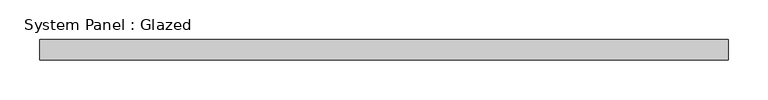
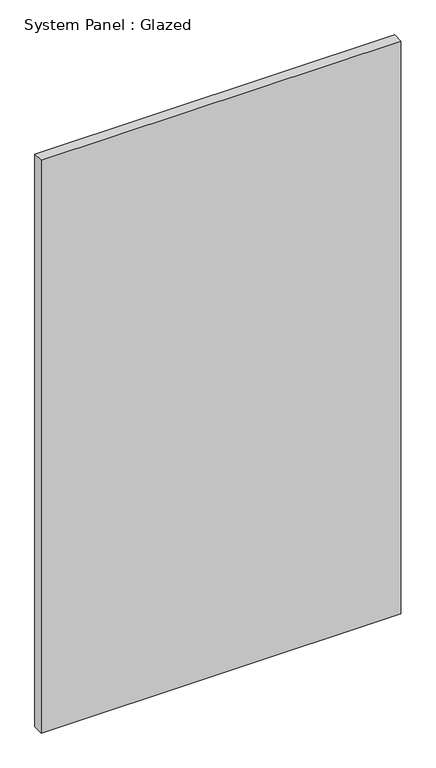
"""IFC4 building model written with IfcOpenShell, lengths in millimetres: plate geometry, System Panel : Glazed."""

from ifc_helpers import new_model, si_unit, origin, origin_with_axes, place, context, project, spatial, polyline, outline, extrude, source, transform, mapped, element, save


def system_panel_glazed_39dc28ef(model_context):
    return source(origin(), model_context, "Body", "SweptSolid", [
        extrude(outline(polyline([(430.2125, 19.05), (-430.2125, 19.05), (-430.2125, 44.45), (430.2125, 44.45), (430.2125, 19.05)])), origin_with_axes(), (0.0, 0.0, 1.0), 1447.8),
    ])


if __name__ == "__main__":
    model = new_model("IFC4")
    model_context = context("Model", 3, world=origin())
    ifc_project = project(units=[si_unit("LENGTHUNIT", "METRE", prefix="MILLI")], contexts=[model_context])
    site = spatial("IfcSite", under=ifc_project)
    building = spatial("IfcBuilding", under=site)
    placement = place(None, origin())
    system_panel_glazed_shape = system_panel_glazed_39dc28ef(model_context)
    element("IfcPlate", 1, ObjectType="System Panel : Glazed", at=placement, inside=building, context=model_context, shape_type="MappedRepresentation", body=[
        mapped(system_panel_glazed_shape, transform((0.0, 0.0, 0.0), x_axis=(1.0, 0.0, 0.0), y_axis=(0.0, 1.0, 0.0), z_axis=(0.0, 0.0, 1.0))),
    ])
    save(model, "model.ifc")
